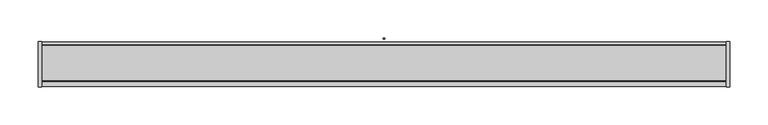
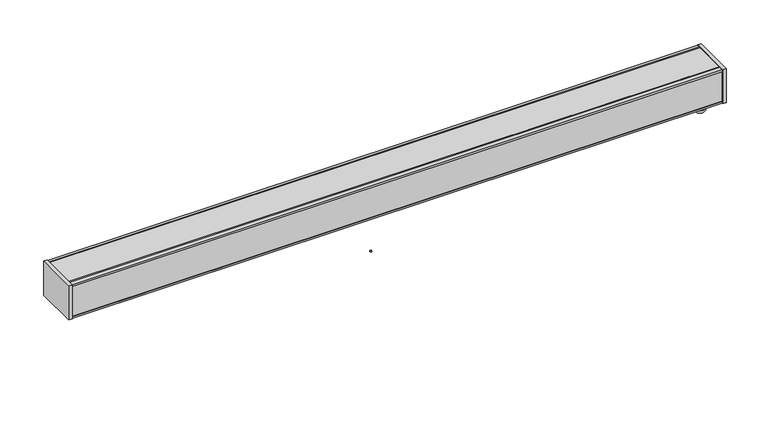
"""IFC4 building model written with IfcOpenShell, lengths in millimetres: light fixture geometry."""

from ifc_helpers import new_model, si_unit, point, frame, origin, place, context, project, spatial, polyline, circle_curve, ellipse_curve, trimmed, outline, extrude, source, transform, mapped, element, save
from ifc_brep_helpers import plane_surface, cylinder_surface, revolved_surface, advanced_brep


def light_fixture_d69e7d40(model_context):
    return source(origin(), model_context, "Body", "SolidModel", [
        extrude(outline(polyline([(-450.0, -13.6895443), (-450.0, -12.5485957), (450.0, -12.5485957), (450.0, -13.6895443), (-450.0, -13.6895443)])), frame((0.0, 0.0, 52.9904407), z_axis=(0.0, 0.0, 1.0), x_axis=(1.0, 0.0, 0.0)), (0.0, 0.0, 1.0), 44.1359157),
        advanced_brep(
        [(430.0, 4.669507, 50.0583985), (437.6401892, 4.669507, 50.0583985), (422.3598108, 4.669507, 50.0583985), (422.3598108, 4.669507, 39.8711218), (437.6401892, 4.669507, 39.8711218), (433.9259231, 4.669507, 33.8030036), (426.0740769, 4.669507, 33.8030036), (422.3598108, 4.669507, 44.0583064), (437.6401892, 4.669507, 44.0583064), (423.4270034, 4.669507, 44.0583064), (436.5729966, 4.669507, 44.0583064), (423.4270034, 4.669507, 47.1355586), (436.5729966, 4.669507, 47.1355586), (422.3598108, 4.669507, 47.1355586), (437.6401892, 4.669507, 47.1355586), (430.0, 4.669507, 33.8030036)],
        [
            (0, 1),
            (1, 2, circle_curve(frame((430.0, 4.669507, 50.0583985), z_axis=(0.0, 0.0, 1.0), x_axis=(1.0, 0.0, 0.0)), 7.6401892)),
            (2, 0),
            (2, 1, circle_curve(frame((430.0, 4.669507, 50.0583985), z_axis=(0.0, 0.0, 1.0), x_axis=(1.0, 0.0, 0.0)), 7.6401892)),
            (3, 4, circle_curve(frame((430.0, 4.669507, 39.8711218), z_axis=(0.0, 0.0, -1.0), x_axis=(1.0, 0.0, 0.0)), 7.6401892)),
            (4, 5, circle_curve(frame((430.8262144, 4.669507, 39.8711218), z_axis=(0.0, 1.0, 0.0), x_axis=(1.0, 0.0, 0.0)), 6.8139747)),
            (5, 6, circle_curve(frame((430.0, 4.669507, 33.8030036), z_axis=(0.0, 0.0, 1.0), x_axis=(1.0, 0.0, 0.0)), 3.9259231)),
            (6, 3, circle_curve(frame((429.1737856, 4.669507, 39.8711218), z_axis=(0.0, 1.0, 0.0), x_axis=(-1.0, 0.0, 0.0)), 6.8139747)),
            (4, 3, circle_curve(frame((430.0, 4.669507, 39.8711218), z_axis=(0.0, 0.0, -1.0), x_axis=(1.0, 0.0, 0.0)), 7.6401892)),
            (6, 5, circle_curve(frame((430.0, 4.669507, 33.8030036), z_axis=(0.0, 0.0, 1.0), x_axis=(1.0, 0.0, 0.0)), 3.9259231)),
            (7, 8, circle_curve(frame((430.0, 4.669507, 44.0583064), z_axis=(0.0, 0.0, -1.0), x_axis=(1.0, 0.0, 0.0)), 7.6401892)),
            (8, 4),
            (3, 7),
            (8, 7, circle_curve(frame((430.0, 4.669507, 44.0583064), z_axis=(0.0, 0.0, -1.0), x_axis=(1.0, 0.0, 0.0)), 7.6401892)),
            (9, 10, circle_curve(frame((430.0, 4.669507, 44.0583064), z_axis=(0.0, 0.0, -1.0), x_axis=(1.0, 0.0, 0.0)), 6.5729966)),
            (10, 8),
            (7, 9),
            (10, 9, circle_curve(frame((430.0, 4.669507, 44.0583064), z_axis=(0.0, 0.0, -1.0), x_axis=(1.0, 0.0, 0.0)), 6.5729966)),
            (11, 12, circle_curve(frame((430.0, 4.669507, 47.1355586), z_axis=(0.0, 0.0, -1.0), x_axis=(1.0, 0.0, 0.0)), 6.5729966)),
            (12, 10),
            (9, 11),
            (12, 11, circle_curve(frame((430.0, 4.669507, 47.1355586), z_axis=(0.0, 0.0, -1.0), x_axis=(1.0, 0.0, 0.0)), 6.5729966)),
            (13, 14, circle_curve(frame((430.0, 4.669507, 47.1355586), z_axis=(0.0, 0.0, -1.0), x_axis=(1.0, 0.0, 0.0)), 7.6401892)),
            (14, 12),
            (11, 13),
            (14, 13, circle_curve(frame((430.0, 4.669507, 47.1355586), z_axis=(0.0, 0.0, -1.0), x_axis=(1.0, 0.0, 0.0)), 7.6401892)),
            (1, 14),
            (13, 2),
            (5, 15),
            (15, 6),
        ],
        [
            plane_surface(frame((430.0, 4.669507, 50.0583985), z_axis=(0.0, 0.0, 1.0), x_axis=(1.0, 0.0, 0.0))),
            revolved_surface(trimmed(ellipse_curve(frame((430.8262144, 4.669507, 39.8711218), z_axis=(0.0, -1.0, 0.0), x_axis=(1.0, 0.0, 0.0)), 6.8139747, 6.8139747), [point((433.9259231, 4.669507, 33.8030036))], [point((437.6401892, 4.669507, 39.8711218))], True, "CARTESIAN"), (430.0, 4.669507, 37.7446471), (0.0, 0.0, 1.0)),
            cylinder_surface(frame((430.0, 4.669507, 37.7446471), z_axis=(0.0, 0.0, 1.0), x_axis=(1.0, 0.0, 0.0)), 7.6401892),
            plane_surface(frame((430.0, 4.669507, 44.0583064), z_axis=(0.0, 0.0, 1.0), x_axis=(1.0, 0.0, 0.0))),
            cylinder_surface(frame((430.0, 4.669507, 37.7446471), z_axis=(0.0, 0.0, 1.0), x_axis=(1.0, 0.0, 0.0)), 6.5729966),
            plane_surface(frame((430.0, 4.669507, 47.1355586), z_axis=(0.0, 0.0, -1.0), x_axis=(1.0, 0.0, 0.0))),
            plane_surface(frame((430.0, 4.669507, 33.8030036), z_axis=(0.0, 0.0, -1.0), x_axis=(1.0, 0.0, 0.0))),
        ],
        [
            (0, [[1, 2, 3]]),
            (0, [[-3, 4, -1]]),
            (1, [[5, 6, 7, 8]]),
            (1, [[9, -8, 10, -6]]),
            (2, [[11, 12, -5, 13]]),
            (2, [[14, -13, -9, -12]]),
            (3, [[15, 16, -11, 17]]),
            (3, [[18, -17, -14, -16]]),
            (4, [[19, 20, -15, 21]]),
            (4, [[22, -21, -18, -20]]),
            (5, [[23, 24, -19, 25]]),
            (5, [[26, -25, -22, -24]]),
            (2, [[-2, 27, -23, 28]]),
            (2, [[-4, -28, -26, -27]]),
            (6, [[-7, 29, 30]]),
            (6, [[-10, -30, -29]]),
        ],
    ),
        extrude(outline(polyline([(450.0, 44.669507), (455.0, 44.669507), (455.0, -15.330493), (450.0, -15.330493), (450.0, 44.669507)])), frame((0.0, 0.0, 50.0583985), z_axis=(0.0, 0.0, 1.0), x_axis=(1.0, 0.0, 0.0)), (0.0, 0.0, 1.0), 50.0),
        extrude(outline(polyline([(-455.0, 44.669507), (-450.0, 44.669507), (-450.0, -15.330493), (-455.0, -15.330493), (-455.0, 44.669507)])), frame((0.0, 0.0, 50.0583985), z_axis=(0.0, 0.0, 1.0), x_axis=(1.0, 0.0, 0.0)), (0.0, 0.0, 1.0), 50.0),
        extrude(outline(polyline([(40.8206814, 99.5583985), (44.169507, 99.5583985), (44.169507, 50.5583985), (40.8206814, 50.5583985), (40.8206814, 52.9904407), (39.0038521, 52.9904407), (39.0038521, 50.5583985), (-6.6773894, 50.5583985), (-6.6773894, 52.9904407), (-8.9381832, 52.9904407), (-8.9381832, 50.5583985), (-14.830493, 50.5583985), (-14.830493, 52.9904407), (-12.5485957, 52.9904407), (-12.5485957, 97.1263564), (-14.830493, 97.1263564), (-14.830493, 99.5583985), (-8.9381832, 99.5583985), (-8.9381832, 97.1263564), (-6.6773894, 97.1263564), (-6.6773894, 99.5583985), (39.0038521, 99.5583985), (39.0038521, 97.1263564), (40.8206814, 97.1263564), (40.8206814, 99.5583985)])), frame((-450.0, 0.0, 0.0), z_axis=(1.0, 0.0, 0.0), x_axis=(0.0, 1.0, 0.0)), (0.0, 0.0, 1.0), 900.0),
        extrude(outline(polyline([(0.8442959, 49.4917353), (0.8442959, 47.8668965), (-0.9211006, 47.8668965), (-0.9211006, 49.4917353), (0.8442959, 49.4917353)])), frame((0.0, 0.0, -47.6985737), z_axis=(0.0, 0.0, 1.0), x_axis=(1.0, 0.0, 0.0)), (0.0, 0.0, 1.0), 1.4257224),
    ])


if __name__ == "__main__":
    model = new_model("IFC4")
    model_context = context("Model", 3, world=origin())
    ifc_project = project(units=[si_unit("LENGTHUNIT", "METRE", prefix="MILLI")], contexts=[model_context])
    site = spatial("IfcSite", under=ifc_project)
    building = spatial("IfcBuilding", under=site)
    placement = place(None, origin())
    light_fixture_shape = light_fixture_d69e7d40(model_context)
    element("IfcLightFixture", 1, at=placement, inside=building, context=model_context, shape_type="MappedRepresentation", body=[
        mapped(light_fixture_shape, transform((0.0, 0.0, 0.0), x_axis=(1.0, 0.0, 0.0), y_axis=(0.0, 1.0, 0.0), z_axis=(0.0, 0.0, 1.0))),
    ])
    save(model, "model.ifc")
